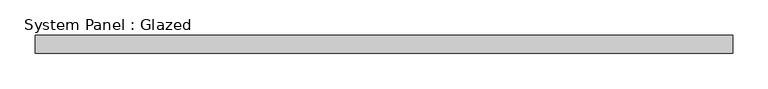
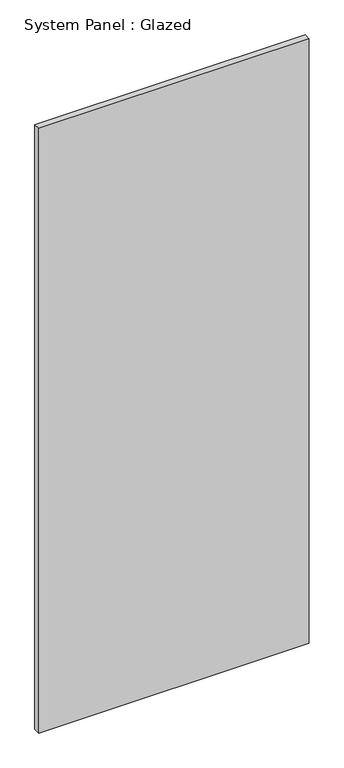
"""IFC4 building model written with IfcOpenShell, lengths in millimetres: plate geometry, System Panel : Glazed."""

from ifc_helpers import new_model, si_unit, origin, origin_with_axes, place, context, project, spatial, polyline, outline, extrude, source, transform, mapped, element, save


def system_panel_glazed_08bb0a3f(model_context):
    return source(origin(), model_context, "Body", "SweptSolid", [
        extrude(outline(polyline([(492.1416276, 24.5), (-492.1416276, 24.5), (-492.1416276, 49.5), (492.1416276, 49.5), (492.1416276, 24.5)])), origin_with_axes(), (0.0, 0.0, 1.0), 2325.0),
    ])


if __name__ == "__main__":
    model = new_model("IFC4")
    model_context = context("Model", 3, world=origin())
    ifc_project = project(units=[si_unit("LENGTHUNIT", "METRE", prefix="MILLI")], contexts=[model_context])
    site = spatial("IfcSite", under=ifc_project)
    building = spatial("IfcBuilding", under=site)
    placement = place(None, origin())
    system_panel_glazed_shape = system_panel_glazed_08bb0a3f(model_context)
    element("IfcPlate", 1, ObjectType="System Panel : Glazed", at=placement, inside=building, context=model_context, shape_type="MappedRepresentation", body=[
        mapped(system_panel_glazed_shape, transform((0.0, 0.0, 0.0), x_axis=(1.0, 0.0, 0.0), y_axis=(0.0, 1.0, 0.0), z_axis=(0.0, 0.0, 1.0))),
    ])
    save(model, "model.ifc")
